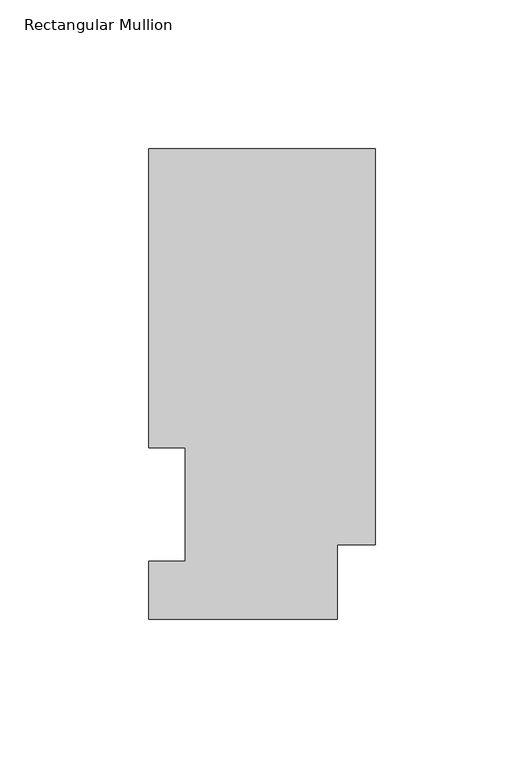
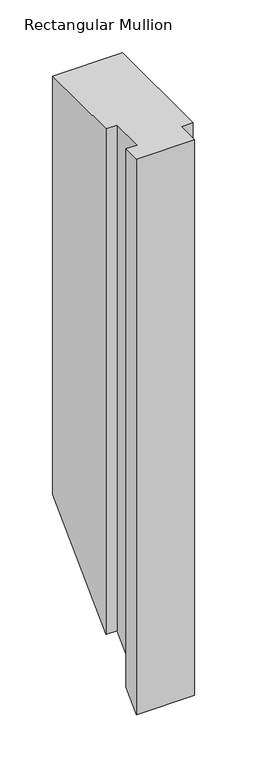
"""IFC4 building model written with IfcOpenShell, lengths in millimetres: member geometry, Rectangular Mullion."""

from ifc_helpers import new_model, si_unit, origin, place, context, project, spatial, faceted_brep, source, transform, mapped, element, save


def rectangular_mullion_618544a0(model_context):
    return source(origin(), model_context, "Body", "Brep", [
        faceted_brep([(0.0, 25.0832937, 0.0), (0.0, 158.3316937, 0.0), (-76.2, 158.3316937, 0.0), (-76.2, 57.6460937, 0.0), (-63.8581605, 57.6460938, 0.0), (-63.8581605, 19.5460937, 0.0), (-76.2, 19.5460937, 0.0), (-76.2, 0.0134938, 0.0), (-12.7, 0.0134938, 0.0), (-12.7, 25.0832937, 0.0), (0.0, 25.0832937, -616.2667062), (0.0, 158.3316937, -483.0183063), (-76.2, 158.3316937, -483.0183063), (-76.2, 57.6460937, -583.7039062), (-63.8581605, 57.6460938, -583.7039062), (-63.8581605, 19.5460937, -621.8039062), (-76.2, 19.5460937, -621.8039062), (-76.2, 0.0134938, -641.3365062), (-12.7, 0.0134938, -641.3365062), (-12.7, 25.0832937, -616.2667062)], [[[0, 1, 2, 3, 4, 5, 6, 7, 8, 9]], [[1, 0, 10, 11]], [[2, 1, 11, 12]], [[3, 2, 12, 13]], [[4, 3, 13, 14]], [[5, 4, 14, 15]], [[6, 5, 15, 16]], [[7, 6, 16, 17]], [[8, 7, 17, 18]], [[9, 8, 18, 19]], [[0, 9, 19, 10]], [[10, 19, 18, 17, 16, 15, 14, 13, 12, 11]]]),
    ])


if __name__ == "__main__":
    model = new_model("IFC4")
    model_context = context("Model", 3, world=origin())
    ifc_project = project(units=[si_unit("LENGTHUNIT", "METRE", prefix="MILLI")], contexts=[model_context])
    site = spatial("IfcSite", under=ifc_project)
    building = spatial("IfcBuilding", under=site)
    placement = place(None, origin())
    rectangular_mullion_shape = rectangular_mullion_618544a0(model_context)
    element("IfcMember", 1, ObjectType="Rectangular Mullion", at=placement, inside=building, context=model_context, shape_type="MappedRepresentation", body=[
        mapped(rectangular_mullion_shape, transform((0.0, 0.0, 0.0), x_axis=(1.0, 0.0, 0.0), y_axis=(0.0, 1.0, 0.0), z_axis=(0.0, 0.0, 1.0))),
    ])
    save(model, "model.ifc")
